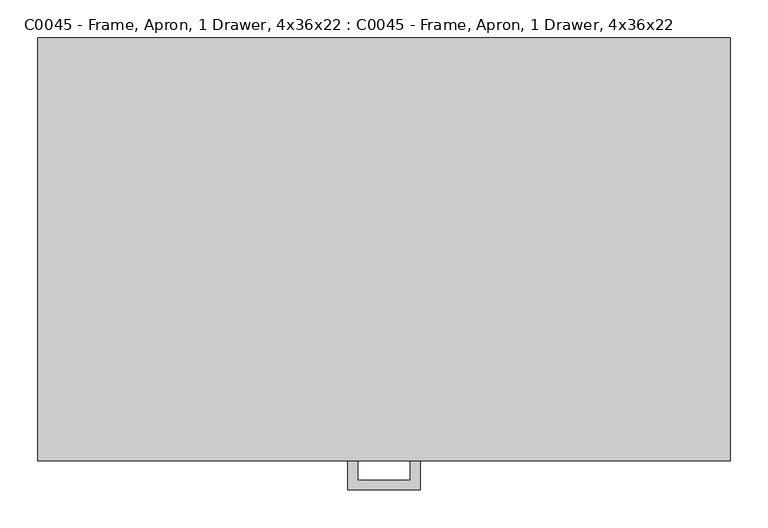
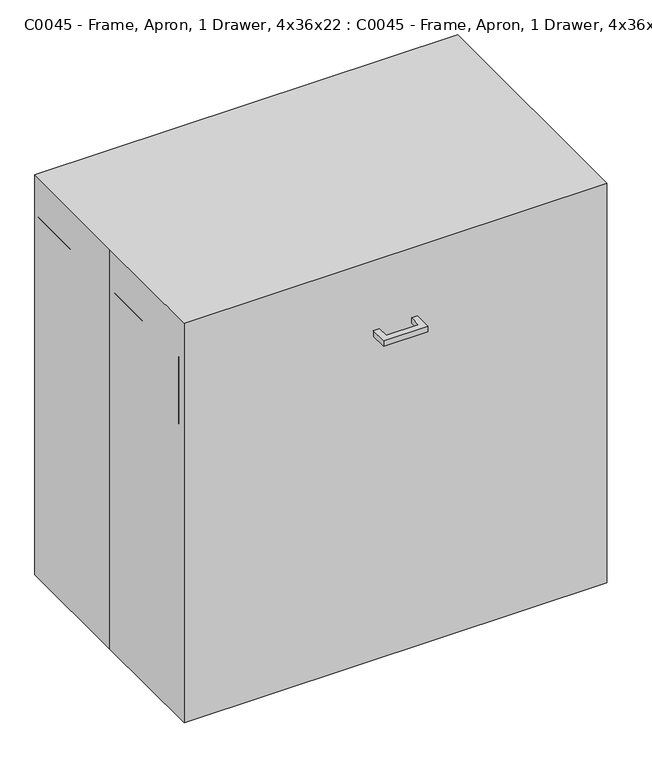
"""IFC4 building model written with IfcOpenShell, lengths in millimetres: proxy geometry, C0045 - Frame, Apron, 1 Drawer, 4x36x22 : C0045 - Frame, Apron, 1 Drawer, 4x36x22."""

from ifc_helpers import new_model, si_unit, frame, origin, origin_with_axes, place, context, project, spatial, polyline, outline, extrude, source, transform, mapped, element, save


def c0045_frame_apron_1_drawer_4x36x22_c0045_frame_apron_1_5ffb039a(model_context):
    return source(origin(), model_context, "Body", "SweptSolid", [
        extrude(outline(polyline([(-47.625, -317.5), (-47.625, -279.4), (-34.9409299, -279.4), (-34.9409299, -304.8159299), (34.9409299, -304.8159299), (34.9409299, -279.4), (47.625, -279.4), (47.625, -317.5), (-47.625, -317.5)])), frame((0.0, 0.0, 741.3462383), z_axis=(0.0, 0.0, 1.0), x_axis=(1.0, 0.0, 0.0)), (0.0, 0.0, 1.0), 12.7),
        extrude(outline(polyline([(-457.2, 279.4), (457.2, 279.4), (457.2, -279.4), (-457.2, -279.4), (-457.2, 0.0), (-457.2, 279.4)])), origin_with_axes(), (0.0, 0.0, 1.0), 914.4),
        extrude(outline(polyline([(438.15, -260.35), (438.15, 279.4), (457.2, 279.4), (457.2, -260.35), (438.15, -260.35)])), frame((0.0, 0.0, 673.0674767), z_axis=(0.0, 0.0, 1.0), x_axis=(1.0, 0.0, 0.0)), (0.0, 0.0, 1.0), 152.4),
        extrude(outline(polyline([(-457.2, -260.35), (-457.2, 279.4), (-438.15, 279.4), (-438.15, -260.35), (-457.2, -260.35)])), frame((0.0, 0.0, 673.0674767), z_axis=(0.0, 0.0, 1.0), x_axis=(1.0, 0.0, 0.0)), (0.0, 0.0, 1.0), 152.4),
        extrude(outline(polyline([(457.2, -279.4), (-457.2, -279.4), (-457.2, -260.35), (457.2, -260.35), (457.2, -279.4)])), frame((0.0, 0.0, 673.0674767), z_axis=(0.0, 0.0, 1.0), x_axis=(1.0, 0.0, 0.0)), (0.0, 0.0, 1.0), 152.4),
        extrude(outline(polyline([(438.15, 260.35), (438.15, -260.35), (-438.15, -260.35), (-438.15, 260.35), (438.15, 260.35)])), frame((0.0, 0.0, 673.0674767), z_axis=(0.0, 0.0, 1.0), x_axis=(1.0, 0.0, 0.0)), (0.0, 0.0, 1.0), 19.1166954),
        extrude(outline(polyline([(438.15, 260.35), (-438.15, 260.35), (-438.15, 279.4), (438.15, 279.4), (438.15, 260.35)])), frame((0.0, 0.0, 673.0674767), z_axis=(0.0, 0.0, 1.0), x_axis=(1.0, 0.0, 0.0)), (0.0, 0.0, 1.0), 133.35),
    ])


if __name__ == "__main__":
    model = new_model("IFC4")
    model_context = context("Model", 3, world=origin())
    ifc_project = project(units=[si_unit("LENGTHUNIT", "METRE", prefix="MILLI")], contexts=[model_context])
    site = spatial("IfcSite", under=ifc_project)
    building = spatial("IfcBuilding", under=site)
    placement = place(None, origin())
    c0045_frame_apron_1_drawer_4x36x22_c0045_frame_apron_1_shape = c0045_frame_apron_1_drawer_4x36x22_c0045_frame_apron_1_5ffb039a(model_context)
    element("IfcBuildingElementProxy", 1, Name="C0045 - Frame, Apron, 1 Drawer, 4x36x22 : C0045 - Frame, Apron, 1 Drawer, 4x36x22", ObjectType="C0045 - Frame, Apron, 1 Drawer, 4x36x22 : C0045 - Frame, Apron, 1 Drawer, 4x36x22", at=placement, inside=building, context=model_context, shape_type="MappedRepresentation", body=[
        mapped(c0045_frame_apron_1_drawer_4x36x22_c0045_frame_apron_1_shape, transform((0.0, 0.0, 0.0), x_axis=(1.0, 0.0, 0.0), y_axis=(0.0, 1.0, 0.0), z_axis=(0.0, 0.0, 1.0))),
    ])
    save(model, "model.ifc")
